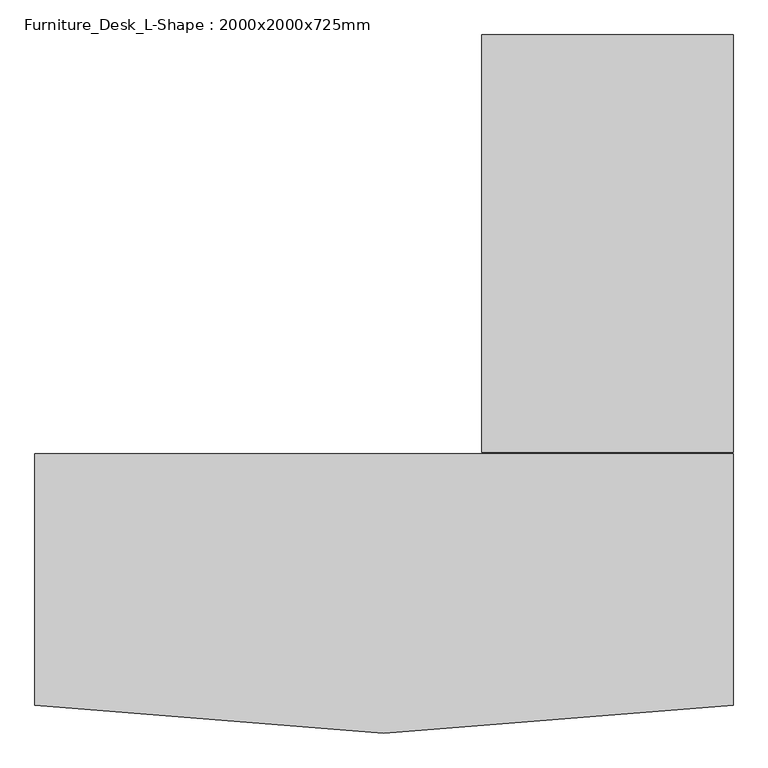
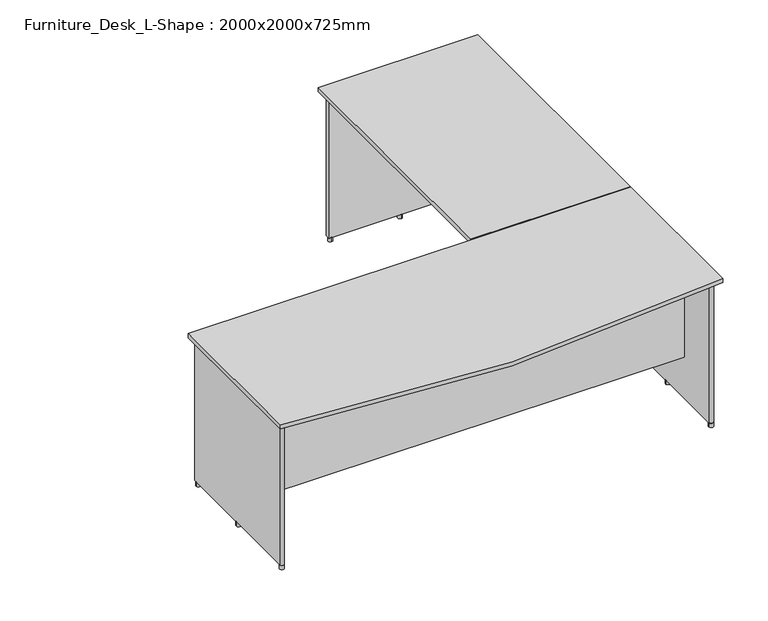
"""IFC4 building model written with IfcOpenShell, lengths in millimetres: furniture geometry, Furniture_Desk_L-Shape : 2000x2000x725mm."""

from ifc_helpers import new_model, si_unit, point, frame, frame_2d, origin, origin_with_axes, place, context, project, spatial, polyline, circle_curve, trimmed, segment, composite_curve, outline, extrude, source, transform, mapped, element, save


def furniture_desk_l_shape_2000x2000x725mm_cdca6658(model_context):
    return source(origin(), model_context, "Body", "SweptSolid", [
        extrude(outline(composite_curve([segment(trimmed(circle_curve(frame_2d((-1250.0003738, -26.5806648)), 10.0), [point((-1260.0003738, -26.5806648))], [point((-1240.0003738, -26.5806648))], False, "CARTESIAN"), True, "CONTINUOUS"), segment(trimmed(circle_curve(frame_2d((-1250.0003738, -26.5806648)), 10.0), [point((-1240.0003738, -26.5806648))], [point((-1260.0003738, -26.5806648))], False, "CARTESIAN"), True, "CONTINUOUS")], self_intersect=False)), origin_with_axes(), (0.0, 0.0, 1.0), 20.0),
        extrude(outline(composite_curve([segment(trimmed(circle_curve(frame_2d((-1250.0003738, -679.3436367)), 10.0), [point((-1260.0003738, -679.3436367))], [point((-1240.0003738, -679.3436367))], False, "CARTESIAN"), True, "CONTINUOUS"), segment(trimmed(circle_curve(frame_2d((-1250.0003738, -679.3436367)), 10.0), [point((-1240.0003738, -679.3436367))], [point((-1260.0003738, -679.3436367))], False, "CARTESIAN"), True, "CONTINUOUS")], self_intersect=False)), origin_with_axes(), (0.0, 0.0, 1.0), 20.0),
        extrude(outline(composite_curve([segment(trimmed(circle_curve(frame_2d((-1250.0003738, -341.5806648)), 10.0), [point((-1260.0003738, -341.5806648))], [point((-1240.0003738, -341.5806648))], False, "CARTESIAN"), True, "CONTINUOUS"), segment(trimmed(circle_curve(frame_2d((-1250.0003738, -341.5806648)), 10.0), [point((-1240.0003738, -341.5806648))], [point((-1260.0003738, -341.5806648))], False, "CARTESIAN"), True, "CONTINUOUS")], self_intersect=False)), origin_with_axes(), (0.0, 0.0, 1.0), 20.0),
        extrude(outline(composite_curve([segment(trimmed(circle_curve(frame_2d((690.0003738, -26.5806648)), 10.0), [point((700.0003738, -26.5806648))], [point((680.0003738, -26.5806648))], False, "CARTESIAN"), True, "CONTINUOUS"), segment(trimmed(circle_curve(frame_2d((690.0003738, -26.5806648)), 10.0), [point((680.0003738, -26.5806648))], [point((700.0003738, -26.5806648))], False, "CARTESIAN"), True, "CONTINUOUS")], self_intersect=False)), origin_with_axes(), (0.0, 0.0, 1.0), 20.0),
        extrude(outline(composite_curve([segment(trimmed(circle_curve(frame_2d((690.0003738, -679.3436367)), 10.0), [point((700.0003738, -679.3436367))], [point((680.0003738, -679.3436367))], False, "CARTESIAN"), True, "CONTINUOUS"), segment(trimmed(circle_curve(frame_2d((690.0003738, -679.3436367)), 10.0), [point((680.0003738, -679.3436367))], [point((700.0003738, -679.3436367))], False, "CARTESIAN"), True, "CONTINUOUS")], self_intersect=False)), origin_with_axes(), (0.0, 0.0, 1.0), 20.0),
        extrude(outline(composite_curve([segment(trimmed(circle_curve(frame_2d((690.0003738, -341.5806648)), 10.0), [point((700.0003738, -341.5806648))], [point((680.0003738, -341.5806648))], False, "CARTESIAN"), True, "CONTINUOUS"), segment(trimmed(circle_curve(frame_2d((690.0003738, -341.5806648)), 10.0), [point((680.0003738, -341.5806648))], [point((700.0003738, -341.5806648))], False, "CARTESIAN"), True, "CONTINUOUS")], self_intersect=False)), origin_with_axes(), (0.0, 0.0, 1.0), 20.0),
        extrude(outline(composite_curve([segment(trimmed(circle_curve(frame_2d((33.3473423, 1163.8215353)), 10.0), [point((33.3473423, 1173.8215353))], [point((33.3473423, 1153.8215353))], False, "CARTESIAN"), True, "CONTINUOUS"), segment(trimmed(circle_curve(frame_2d((33.3473423, 1163.8215353)), 10.0), [point((33.3473423, 1153.8215353))], [point((33.3473423, 1173.8215353))], False, "CARTESIAN"), True, "CONTINUOUS")], self_intersect=False)), origin_with_axes(), (0.0, 0.0, 1.0), 20.0),
        extrude(outline(composite_curve([segment(trimmed(circle_curve(frame_2d((686.1103142, 1163.8215353)), 10.0), [point((686.1103142, 1173.8215353))], [point((686.1103142, 1153.8215353))], False, "CARTESIAN"), True, "CONTINUOUS"), segment(trimmed(circle_curve(frame_2d((686.1103142, 1163.8215353)), 10.0), [point((686.1103142, 1153.8215353))], [point((686.1103142, 1173.8215353))], False, "CARTESIAN"), True, "CONTINUOUS")], self_intersect=False)), origin_with_axes(), (0.0, 0.0, 1.0), 20.0),
        extrude(outline(composite_curve([segment(trimmed(circle_curve(frame_2d((348.3473423, 1163.8215353)), 10.0), [point((348.3473423, 1173.8215353))], [point((348.3473423, 1153.8215353))], False, "CARTESIAN"), True, "CONTINUOUS"), segment(trimmed(circle_curve(frame_2d((348.3473423, 1163.8215353)), 10.0), [point((348.3473423, 1153.8215353))], [point((348.3473423, 1173.8215353))], False, "CARTESIAN"), True, "CONTINUOUS")], self_intersect=False)), origin_with_axes(), (0.0, 0.0, 1.0), 20.0),
        extrude(outline(polyline([(700.0, -15.0), (680.0, -15.0), (680.0, 1145.0), (700.0, 1145.0), (700.0, -15.0)])), frame((0.0, 0.0, 220.0), z_axis=(0.0, 0.0, 1.0), x_axis=(1.0, 0.0, 0.0)), (0.0, 0.0, 1.0), 480.0),
        extrude(outline(polyline([(680.0, -470.0), (680.0, -490.0), (-1240.0, -490.0), (-1240.0, -470.0), (680.0, -470.0)])), frame((0.0, 0.0, 220.0), z_axis=(0.0, 0.0, 1.0), x_axis=(1.0, 0.0, 0.0)), (0.0, 0.0, 1.0), 480.0),
        extrude(outline(composite_curve([segment(polyline([(-1240.0, -15.0), (-1240.0, -680.0)]), True, "CONTINUOUS"), segment(trimmed(circle_curve(frame_2d((-1250.0, -680.0)), 10.0), [point((-1240.0, -680.0))], [point((-1260.0, -680.0))], False, "CARTESIAN"), True, "CONTINUOUS"), segment(polyline([(-1260.0, -680.0), (-1260.0, -15.0), (-1240.0, -15.0)]), True, "CONTINUOUS")], self_intersect=False)), frame((0.0, 0.0, 20.0), z_axis=(0.0, 0.0, 1.0), x_axis=(1.0, 0.0, 0.0)), (0.0, 0.0, 1.0), 680.0),
        extrude(outline(composite_curve([segment(polyline([(21.1103142, 1173.8215353), (686.1103142, 1173.8215353)]), True, "CONTINUOUS"), segment(trimmed(circle_curve(frame_2d((686.1103142, 1163.8215353)), 10.0), [point((686.1103142, 1173.8215353))], [point((686.1103142, 1153.8215353))], False, "CARTESIAN"), True, "CONTINUOUS"), segment(polyline([(686.1103142, 1153.8215353), (21.1103142, 1153.8215353), (21.1103142, 1173.8215353)]), True, "CONTINUOUS")], self_intersect=False)), frame((0.0, 0.0, 20.0), z_axis=(0.0, 0.0, 1.0), x_axis=(1.0, 0.0, 0.0)), (0.0, 0.0, 1.0), 680.0),
        extrude(outline(composite_curve([segment(polyline([(680.0, -15.0), (700.0, -15.0), (700.0, -680.0)]), True, "CONTINUOUS"), segment(trimmed(circle_curve(frame_2d((690.0, -680.0)), 10.0), [point((700.0, -680.0))], [point((680.0, -680.0))], False, "CARTESIAN"), True, "CONTINUOUS"), segment(polyline([(680.0, -680.0), (680.0, -15.0)]), True, "CONTINUOUS")], self_intersect=False)), frame((0.0, 0.0, 20.0), z_axis=(0.0, 0.0, 1.0), x_axis=(1.0, 0.0, 0.0)), (0.0, 0.0, 1.0), 680.0),
        extrude(outline(polyline([(0.0, 1200.0), (720.0, 1200.0), (720.0, 5.0), (0.0, 5.0), (0.0, 1200.0)])), frame((0.0, 0.0, 700.0), z_axis=(0.0, 0.0, 1.0), x_axis=(1.0, 0.0, 0.0)), (0.0, 0.0, 1.0), 20.0),
        extrude(outline(composite_curve([segment(polyline([(-1280.0, -720.0), (-1280.0, 0.0), (720.0, 0.0), (720.0, -720.0)]), True, "CONTINUOUS"), segment(trimmed(circle_curve(frame_2d((-280.0, 5490.0)), 6290.0), [point((720.0, -720.0))], [point((-1280.0, -720.0))], False, "CARTESIAN"), True, "CONTINUOUS")], self_intersect=False)), frame((0.0, 0.0, 700.0), z_axis=(0.0, 0.0, 1.0), x_axis=(1.0, 0.0, 0.0)), (0.0, 0.0, 1.0), 20.0),
    ])


if __name__ == "__main__":
    model = new_model("IFC4")
    model_context = context("Model", 3, world=origin())
    ifc_project = project(units=[si_unit("LENGTHUNIT", "METRE", prefix="MILLI")], contexts=[model_context])
    site = spatial("IfcSite", under=ifc_project)
    building = spatial("IfcBuilding", under=site)
    placement = place(None, origin())
    furniture_desk_l_shape_2000x2000x725mm_shape = furniture_desk_l_shape_2000x2000x725mm_cdca6658(model_context)
    element("IfcFurniture", 1, ObjectType="Furniture_Desk_L-Shape : 2000x2000x725mm", at=placement, inside=building, context=model_context, shape_type="MappedRepresentation", body=[
        mapped(furniture_desk_l_shape_2000x2000x725mm_shape, transform((0.0, 0.0, 0.0), x_axis=(1.0, 0.0, 0.0), y_axis=(0.0, 1.0, 0.0), z_axis=(0.0, 0.0, 1.0))),
    ])
    save(model, "model.ifc")
